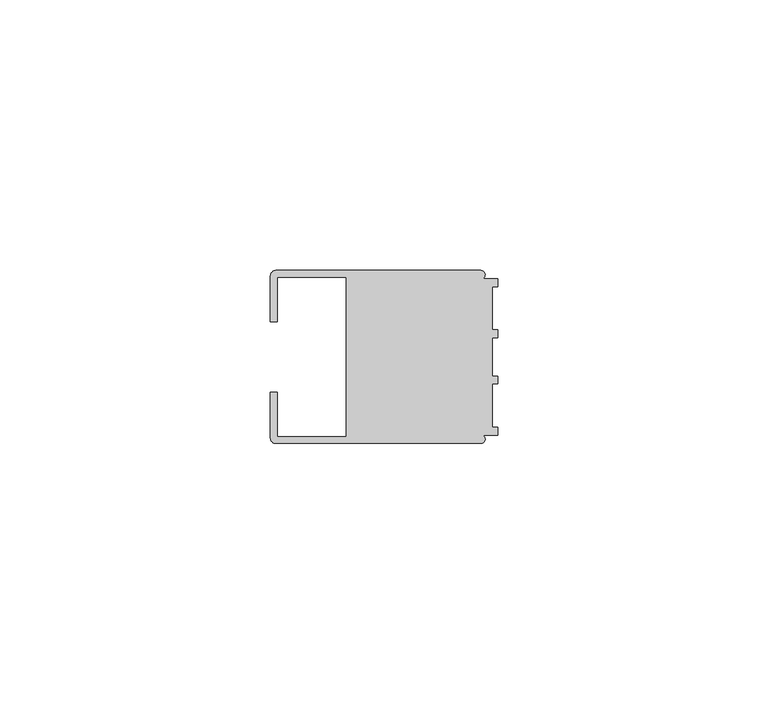
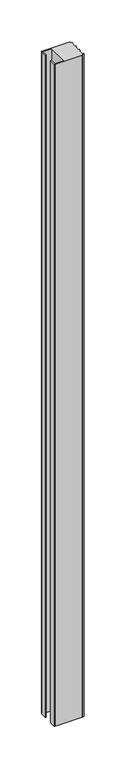
"""IFC4 building model written with IfcOpenShell, lengths in millimetres: member geometry."""

import ifcopenshell
import ifcopenshell.guid

model = None  # the IFC model being written
_history = None  # IfcOwnerHistory: only IFC2X3 demands one
_inside = {}  # id of a spatial element -> (the spatial element, [elements in it])
_under = {}  # id of a project, library or spatial element -> (it, [spatial elements below it])
_declared = {}  # id of a project -> (the project, [libraries it declares])
_typed = {}  # id of a type object -> (the type object, [elements of that type])
_made_of = {}  # id of a material, layer set ... -> (it, [elements and type objects made of it])


def new_model(schema):
    """Start an empty IFC model of exactly this schema.

    Asked for "IFC4X3", IfcOpenShell would pick the latest addendum, in which some entities
    have other attributes; the version numbers below select the first issue.
    IFC2X3 requires an IfcOwnerHistory on every rooted entity: one is made here for all.
    """
    global model, _history
    if schema == "IFC4X3":
        model = ifcopenshell.file(schema_version=(4, 3, 0, 0))
    else:
        model = ifcopenshell.file(schema=schema)
    _inside.clear()
    _under.clear()
    _declared.clear()
    _typed.clear()
    _made_of.clear()
    _history = None
    if model.schema == "IFC2X3":
        org = make("IfcOrganization", Name="unknown")
        user = make(
            "IfcPersonAndOrganization",
            ThePerson=make("IfcPerson", FamilyName="unknown"),
            TheOrganization=org,
        )
        app = make(
            "IfcApplication",
            ApplicationDeveloper=org,
            Version="unknown",
            ApplicationFullName="unknown",
            ApplicationIdentifier="unknown",
        )
        _history = make(
            "IfcOwnerHistory",
            OwningUser=user,
            OwningApplication=app,
            ChangeAction="ADDED",
            CreationDate=0,
        )
    return model


def make(cls, **values):
    """One entity of the class cls with the attributes given. An attribute that is None is left unset."""
    return model.create_entity(
        cls, **{name: value for name, value in values.items() if value is not None}
    )


def rooted(cls, **values):
    """An entity with a GlobalId (a new one), such as an element, a storey or a relation."""
    return make(cls, GlobalId=ifcopenshell.guid.new(), OwnerHistory=_history, **values)


def si_unit(unit_type, name, prefix=None):
    """IfcSIUnit, for example si_unit("LENGTHUNIT", "METRE", prefix="MILLI")."""
    return make("IfcSIUnit", UnitType=unit_type, Prefix=prefix, Name=name)


def assignment(units):
    """IfcUnitAssignment: the units of a project."""
    return None if units is None else make("IfcUnitAssignment", Units=units)


def point(xyz):
    """IfcCartesianPoint."""
    return None if xyz is None else make("IfcCartesianPoint", Coordinates=xyz)


def direction(xyz):
    """IfcDirection."""
    return None if xyz is None else make("IfcDirection", DirectionRatios=xyz)


def frame(location, z_axis=None, x_axis=None):
    """IfcAxis2Placement3D, a coordinate frame: its origin and axes. An axis left out is left unset."""
    return make(
        "IfcAxis2Placement3D",
        Location=point(location),
        Axis=direction(z_axis),
        RefDirection=direction(x_axis),
    )


def frame_2d(location, x_axis=None):
    """IfcAxis2Placement2D, a coordinate frame in the plane: its origin and x axis."""
    return make(
        "IfcAxis2Placement2D", Location=point(location), RefDirection=direction(x_axis)
    )


def origin():
    """The frame at (0, 0, 0) with its axes left unset."""
    return frame((0.0, 0.0, 0.0))


def place(relative_to, where):
    """IfcLocalPlacement: puts the frame where relative to a parent placement (None: the world)."""
    return make(
        "IfcLocalPlacement", PlacementRelTo=relative_to, RelativePlacement=where
    )


def context(
    kind, dimensions, precision=None, world=None, true_north=None, identifier=None
):
    """IfcGeometricRepresentationContext, for example the 3D "Model" context."""
    return make(
        "IfcGeometricRepresentationContext",
        ContextIdentifier=identifier,
        ContextType=kind,
        CoordinateSpaceDimension=dimensions,
        Precision=precision,
        WorldCoordinateSystem=world,
        TrueNorth=true_north,
    )


def project(units=None, contexts=None):
    """IfcProject with its units and contexts."""
    return rooted(
        "IfcProject",
        Name="project",
        RepresentationContexts=contexts,
        UnitsInContext=assignment(units),
    )


def spatial(cls, under=None, at=None, **own):
    """A site, building, storey or space (cls), placed at a placement, below another one or the project."""
    s = rooted(cls, ObjectPlacement=at, **own)
    if under is not None:
        _under.setdefault(under.id(), (under, []))[1].append(s)
    return s


def polyline(points):
    """IfcPolyline through the points."""
    return make("IfcPolyline", Points=[point(p) for p in points])


def circle_curve(where, radius):
    """IfcCircle in the frame where."""
    return make("IfcCircle", Position=where, Radius=radius)


def trimmed(basis, trim1, trim2, sense, master):
    """IfcTrimmedCurve: the piece of a basis curve between two trims."""
    return make(
        "IfcTrimmedCurve",
        BasisCurve=basis,
        Trim1=trim1,
        Trim2=trim2,
        SenseAgreement=sense,
        MasterRepresentation=master,
    )


def segment(curve, same_sense, transition):
    """IfcCompositeCurveSegment."""
    return make(
        "IfcCompositeCurveSegment",
        Transition=transition,
        SameSense=same_sense,
        ParentCurve=curve,
    )


def composite_curve(segments, self_intersect=None):
    """IfcCompositeCurve: segments joined end to end."""
    return make("IfcCompositeCurve", Segments=segments, SelfIntersect=self_intersect)


def outline(outer, holes=None, kind="AREA"):
    """IfcArbitraryClosedProfileDef: a profile drawn as a closed curve; with holes, ...WithVoids."""
    if holes is None:
        return make("IfcArbitraryClosedProfileDef", ProfileType=kind, OuterCurve=outer)
    return make(
        "IfcArbitraryProfileDefWithVoids",
        ProfileType=kind,
        OuterCurve=outer,
        InnerCurves=holes,
    )


def extrude(swept, where, along, depth):
    """IfcExtrudedAreaSolid: the profile swept, set in the frame where, extruded along a direction by depth."""
    return make(
        "IfcExtrudedAreaSolid",
        SweptArea=swept,
        Position=where,
        ExtrudedDirection=direction(along),
        Depth=depth,
    )


def shape(context_of_items, identifier, shape_type, items):
    """IfcShapeRepresentation: the items that make up one representation, for example the "Body"."""
    return make(
        "IfcShapeRepresentation",
        ContextOfItems=context_of_items,
        RepresentationIdentifier=identifier,
        RepresentationType=shape_type,
        Items=items,
    )


def source(mapping_origin, context_of_items, identifier, shape_type, items):
    """IfcRepresentationMap: a shape defined once, which mapped items show again and again."""
    return make(
        "IfcRepresentationMap",
        MappingOrigin=mapping_origin,
        MappedRepresentation=shape(context_of_items, identifier, shape_type, items),
    )


def transform(
    local_origin,
    x_axis=None,
    y_axis=None,
    z_axis=None,
    scale=None,
    scale2=None,
    scale3=None,
    uniform=True,
):
    """IfcCartesianTransformationOperator3D, or its non-uniform kind. x_axis, y_axis, z_axis: its Axis1, 2, 3."""
    if uniform:
        return make(
            "IfcCartesianTransformationOperator3D",
            Axis1=direction(x_axis),
            Axis2=direction(y_axis),
            LocalOrigin=point(local_origin),
            Scale=scale,
            Axis3=direction(z_axis),
        )
    return make(
        "IfcCartesianTransformationOperator3DnonUniform",
        Axis1=direction(x_axis),
        Axis2=direction(y_axis),
        LocalOrigin=point(local_origin),
        Scale=scale,
        Axis3=direction(z_axis),
        Scale2=scale2,
        Scale3=scale3,
    )


def mapped(mapping_source, mapping_target):
    """IfcMappedItem: shows the shape of a source again, moved by a transform."""
    return make(
        "IfcMappedItem", MappingSource=mapping_source, MappingTarget=mapping_target
    )


def made_of(thing, what):
    """Note that an element or type object is made of a material, layer set ...; save() writes the relation."""
    if what is not None:
        _made_of.setdefault(what.id(), (what, []))[1].append(thing)
    return thing


def element(
    cls,
    number,
    at=None,
    inside=None,
    cuts=None,
    type_object=None,
    material=None,
    context=None,
    identifier="Body",
    shape_type=None,
    held_by="IfcProductDefinitionShape",
    body=None,
    shapes=None,
    **own,
):
    """One element of the class cls, such as IfcWall. Its Tag is "e" and its number.

    at: its placement. inside: the storey or other place that contains it. cuts: it is an
    opening in that element (IfcRelVoidsElement). A single representation is given by context,
    identifier, shape_type and body (its items); several are given by shapes. held_by: the class
    of the entity that holds the representations. save() writes the other relations.
    """
    e = rooted(cls, Tag="e%d" % number, ObjectPlacement=at, **own)
    if body is not None:
        shapes = [shape(context, identifier, shape_type, body)]
    if shapes is not None:
        e.Representation = make(held_by, Representations=shapes)
    if inside is not None:
        _inside.setdefault(inside.id(), (inside, []))[1].append(e)
    if cuts is not None:
        rooted(
            "IfcRelVoidsElement", RelatingBuildingElement=cuts, RelatedOpeningElement=e
        )
    if type_object is not None:
        _typed.setdefault(type_object.id(), (type_object, []))[1].append(e)
    return made_of(e, material)


def aggregate(whole, parts):
    """IfcRelAggregates: a whole, such as a stair, and the parts it consists of."""
    return rooted("IfcRelAggregates", RelatingObject=whole, RelatedObjects=parts)


def save(model, path):
    """Write the relations noted so far, then the file.

    IfcRelAggregates (storeys below a building ...), IfcRelContainedInSpatialStructure (elements
    in a storey), IfcRelDefinesByType, IfcRelAssociatesMaterial and IfcRelDeclares: one each for
    every whole, place, type object, material and project.
    """
    for whole, parts in _under.values():
        aggregate(whole, parts)
    for where, things in _inside.values():
        rooted(
            "IfcRelContainedInSpatialStructure",
            RelatedElements=things,
            RelatingStructure=where,
        )
    for kind, things in _typed.values():
        rooted("IfcRelDefinesByType", RelatedObjects=things, RelatingType=kind)
    for what, things in _made_of.values():
        rooted("IfcRelAssociatesMaterial", RelatedObjects=things, RelatingMaterial=what)
    for by, libraries in _declared.values():
        rooted("IfcRelDeclares", RelatingContext=by, RelatedDefinitions=libraries)
    model.write(path)


def member_7aa49e63(model_context):
    return source(origin(), model_context, "Body", "SweptSolid", [
        extrude(outline(composite_curve([segment(polyline([(-42.0, -6.4992596), (-40.7495396, -6.4992596), (-40.7495396, -14.748825), (-28.0, -14.748825), (-28.0, 14.7490791), (-40.7495396, 14.7490791), (-40.7495396, 6.4995138), (-42.0, 6.4995138), (-42.0, 14.9988146)]), True, "CONTINUOUS"), segment(trimmed(circle_curve(frame_2d((-40.9988146, 14.9988146)), 1.0011854), [point((-42.0, 14.9988146))], [point((-40.9988146, 16.0))], False, "CARTESIAN"), True, "CONTINUOUS"), segment(polyline([(-40.9988146, 16.0), (-3.1117213, 16.0)]), True, "CONTINUOUS"), segment(trimmed(circle_curve(frame_2d((-3.1117213, 15.2000428)), 0.7999572), [point((-3.1117213, 16.0))], [point((-2.7237818, 14.5004469))], False, "CARTESIAN"), True, "CONTINUOUS"), segment(polyline([(-2.7237818, 14.5004469), (0.0, 14.5004469), (0.0, 13.0002136), (-0.999267, 13.0002136), (-0.999267, 5.0005709), (0.0, 5.0005709), (0.0, 3.5391588), (-0.999267, 3.5001879), (-0.999267, -3.5001879), (0.0, -3.5378881), (0.0, -4.9993001), (-0.999267, -4.9993001), (-0.999267, -12.9993664), (0.0, -12.9993664), (0.0, -14.4989182), (-2.7260256, -14.4989182)]), True, "CONTINUOUS"), segment(trimmed(circle_curve(frame_2d((-3.1117577, -15.2001372)), 0.8003107), [point((-2.7260256, -14.4989182))], [point((-3.1385263, -16.0))], False, "CARTESIAN"), True, "CONTINUOUS"), segment(polyline([(-3.1385263, -16.0), (-40.998921, -16.0)]), True, "CONTINUOUS"), segment(trimmed(circle_curve(frame_2d((-40.998921, -14.998921)), 1.001079), [point((-40.998921, -16.0))], [point((-42.0, -14.998921))], False, "CARTESIAN"), True, "CONTINUOUS"), segment(polyline([(-42.0, -14.998921), (-42.0, -6.4992596)]), True, "CONTINUOUS")], self_intersect=False)), frame((0.0, 0.0, -976.4285713), z_axis=(0.0, 0.0, 1.0), x_axis=(1.0, 0.0, 0.0)), (0.0, 0.0, 1.0), 976.4285713),
    ])


if __name__ == "__main__":
    model = new_model("IFC4")
    model_context = context("Model", 3, world=origin())
    ifc_project = project(units=[si_unit("LENGTHUNIT", "METRE", prefix="MILLI")], contexts=[model_context])
    site = spatial("IfcSite", under=ifc_project)
    building = spatial("IfcBuilding", under=site)
    placement = place(None, origin())
    member_shape = member_7aa49e63(model_context)
    element("IfcMember", 1, at=placement, inside=building, context=model_context, shape_type="MappedRepresentation", body=[
        mapped(member_shape, transform((0.0, 0.0, 0.0), x_axis=(1.0, 0.0, 0.0), y_axis=(0.0, 1.0, 0.0), z_axis=(0.0, 0.0, 1.0))),
    ])
    save(model, "model.ifc")
